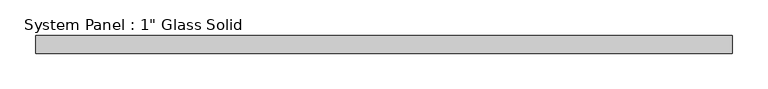
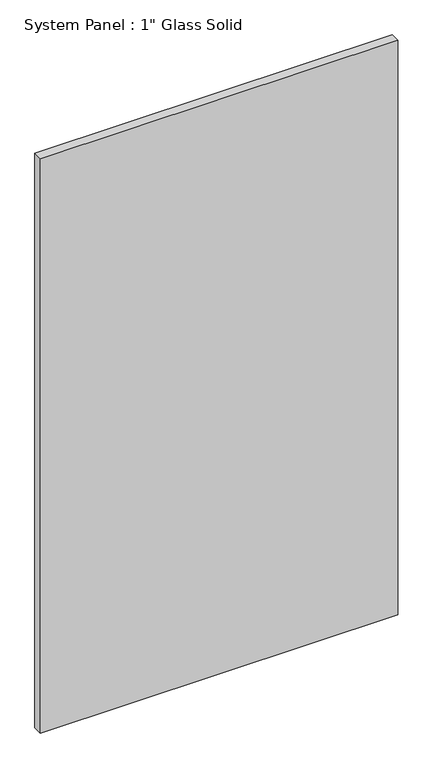
"""IFC4 building model written with IfcOpenShell, lengths in millimetres: plate geometry."""

from ifc_helpers import new_model, si_unit, origin, origin_with_axes, place, context, project, spatial, polyline, outline, extrude, source, transform, mapped, element, save


def plate_3bf01ee2(model_context):
    return source(origin(), model_context, "Body", "SweptSolid", [
        extrude(outline(polyline([(490.5375, -12.7), (-490.5375, -12.7), (-490.5375, 12.7), (490.5375, 12.7), (490.5375, -12.7)])), origin_with_axes(), (0.0, 0.0, 1.0), 1666.875),
    ])


if __name__ == "__main__":
    model = new_model("IFC4")
    model_context = context("Model", 3, world=origin())
    ifc_project = project(units=[si_unit("LENGTHUNIT", "METRE", prefix="MILLI")], contexts=[model_context])
    site = spatial("IfcSite", under=ifc_project)
    building = spatial("IfcBuilding", under=site)
    placement = place(None, origin())
    plate_shape = plate_3bf01ee2(model_context)
    element("IfcPlate", 1, ObjectType="System Panel : 1\" Glass Solid", at=placement, inside=building, context=model_context, shape_type="MappedRepresentation", body=[
        mapped(plate_shape, transform((0.0, 0.0, 0.0), x_axis=(1.0, 0.0, 0.0), y_axis=(0.0, 1.0, 0.0), z_axis=(0.0, 0.0, 1.0))),
    ])
    save(model, "model.ifc")
